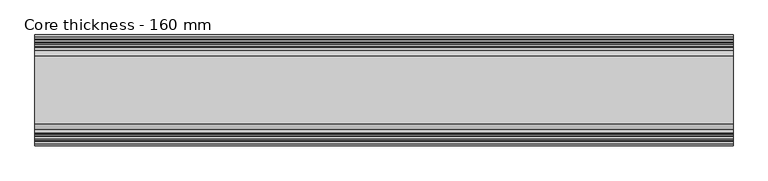
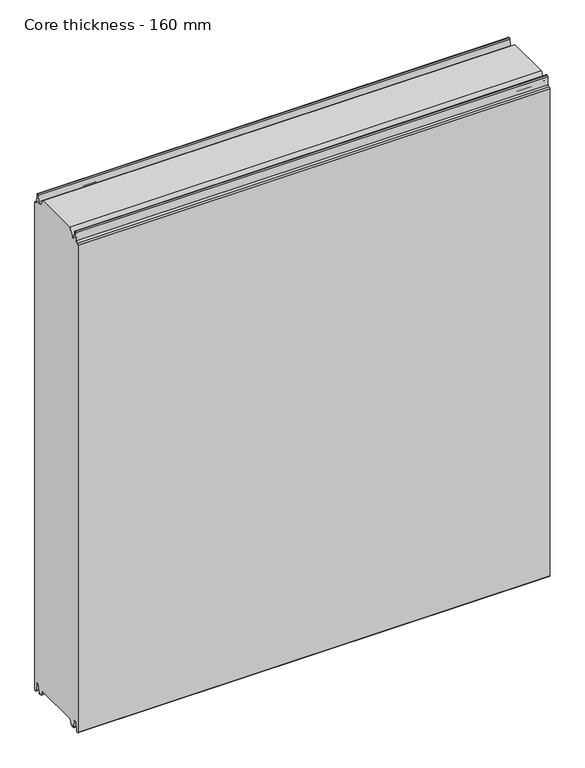
"""IFC4 building model written with IfcOpenShell, lengths in millimetres: plate geometry, Core thickness - 160 mm."""

from ifc_helpers import new_model, si_unit, frame, origin, place, context, project, spatial, polyline, circle_curve, source, transform, mapped, element, save
from ifc_brep_helpers import plane_surface, cylinder_surface, revolved_surface, advanced_brep


def core_thickness_160_mm_a647def2(model_context):
    return source(origin(), model_context, "Body", "AdvancedBrep", [
        advanced_brep(
        [(500.0000002, -129.873448, 15.0417681), (500.0000002, -30.126552, 15.0417681), (500.0000002, -23.4086055, 3.0684055), (500.0000002, -17.4169005, 3.0684055), (500.0000002, -19.6169005, 5.265779), (500.0000002, -18.8169005, 5.265779), (500.0000002, -16.0235822, 5.1291629), (500.0000002, -14.6379549, 19.2608832), (500.0000002, -10.8223285, 22.6899182), (500.0000002, -7.0067021, 19.2608832), (500.0000002, -5.3893281, 2.7656275), (500.0000002, -0.8003051, 2.9900682), (500.0000002, -0.8, 1093.8000005), (500.0000002, -3.3660185, 1096.1942726), (500.0000002, -6.8790665, 1099.1779769), (500.0000002, -8.5415667, 1116.1334653), (500.0000002, -10.8223285, 1118.1999998), (500.0000002, -13.1030903, 1116.1334653), (500.0000002, -14.4357929, 1102.5415123), (500.0000002, -17.0233841, 1100.1952279), (500.0000002, -18.1003051, 1100.1952279), (500.0000002, -18.7003051, 1099.5952279), (500.0000002, -18.7003051, 1098.4952279), (500.0000002, -19.5003051, 1098.4952279), (500.0000002, -19.5003051, 1099.5952279), (500.0000002, -18.1003051, 1100.9952279), (500.0000002, -19.5003051, 1100.9952279), (500.0000002, -23.1062917, 1100.9952279), (500.0000002, -31.1628062, 1115.044651), (500.0000002, -128.7531937, 1115.044651), (500.0000002, -136.8937083, 1100.9952279), (500.0000002, -140.4996949, 1100.9952279), (500.0000002, -141.8996949, 1100.9952279), (500.0000002, -140.4996949, 1099.5952279), (500.0000002, -140.4996949, 1098.4952279), (500.0000002, -141.2996949, 1098.4952279), (500.0000002, -141.2996949, 1099.5952279), (500.0000002, -141.8996949, 1100.1952279), (500.0000002, -142.9766159, 1100.1952279), (500.0000002, -145.5642071, 1102.5415123), (500.0000002, -146.8969097, 1116.1334653), (500.0000002, -149.1776715, 1118.1999998), (500.0000002, -151.4584333, 1116.1334653), (500.0000002, -153.1209335, 1099.1779769), (500.0000002, -156.6330399, 1096.2078763), (500.0000002, -159.1996949, 1093.8000005), (500.0000002, -159.2, 2.9900682), (500.0000002, -154.6106719, 2.7656275), (500.0000002, -152.9932979, 19.2608832), (500.0000002, -149.1776715, 22.6899182), (500.0000002, -145.3620451, 19.2608832), (500.0000002, -143.9764178, 5.1291629), (500.0000002, -141.1830995, 5.265779), (500.0000002, -140.3830995, 5.265779), (500.0000002, -142.5830995, 3.065779), (500.0000002, -136.5913945, 3.0684055), (-500.0000002, -136.8937083, 1100.9952279), (-500.0000002, -128.7531937, 1115.044651), (-500.0000002, -31.1628062, 1115.044651), (-500.0000002, -23.1062917, 1100.9952279), (-500.0000002, -19.5003051, 1100.9952279), (-500.0000002, -18.1003051, 1100.9952279), (-500.0000002, -19.5003051, 1099.5952279), (-500.0000002, -19.5003051, 1098.4952279), (-500.0000002, -18.7003051, 1098.4952279), (-500.0000002, -18.7003051, 1099.5952279), (-500.0000002, -18.1003051, 1100.1952279), (-500.0000002, -17.0233841, 1100.1952279), (-500.0000002, -14.4357929, 1102.5415123), (-500.0000002, -13.1030903, 1116.1334653), (-500.0000002, -10.8223285, 1118.1999998), (-500.0000002, -8.5415667, 1116.1334653), (-500.0000002, -6.8790665, 1099.1779769), (-500.0000002, -3.3669601, 1096.2078763), (-500.0000002, -0.8003051, 1093.8000005), (-500.0000002, -0.8, 2.9900682), (-500.0000002, -5.3893281, 2.7656275), (-500.0000002, -7.0067021, 19.2608832), (-500.0000002, -10.8223285, 22.6899182), (-500.0000002, -14.6379549, 19.2608832), (-500.0000002, -16.0235822, 5.1291629), (-500.0000002, -18.8169005, 5.265779), (-500.0000002, -19.6169005, 5.265779), (-500.0000002, -17.4169005, 3.065779), (-500.0000002, -23.4086055, 3.0684055), (-500.0000002, -30.126552, 15.0417681), (-500.0000002, -129.873448, 15.0417681), (-500.0000002, -136.5913945, 3.0684055), (-500.0000002, -142.5830995, 3.0684055), (-500.0000002, -140.3830995, 5.265779), (-500.0000002, -141.1830995, 5.265779), (-500.0000002, -143.9764178, 5.1291629), (-500.0000002, -145.3620451, 19.2608832), (-500.0000002, -149.1776715, 22.6899182), (-500.0000002, -152.9932979, 19.2608832), (-500.0000002, -154.6106719, 2.7656275), (-500.0000002, -159.1996949, 2.9900682), (-500.0000002, -159.2, 1093.8000005), (-500.0000002, -156.6339815, 1096.1942726), (-500.0000002, -153.1209335, 1099.1779769), (-500.0000002, -151.4584333, 1116.1334653), (-500.0000002, -149.1776715, 1118.1999998), (-500.0000002, -146.8969097, 1116.1334653), (-500.0000002, -145.5642071, 1102.5415123), (-500.0000002, -142.9766159, 1100.1952279), (-500.0000002, -141.8996949, 1100.1952279), (-500.0000002, -141.2996949, 1099.5952279), (-500.0000002, -141.2996949, 1098.4952279), (-500.0000002, -140.4996949, 1098.4952279), (-500.0000002, -140.4996949, 1099.5952279), (-500.0000002, -141.8996949, 1100.9952279), (-500.0000002, -140.4996949, 1100.9952279)],
        [
            (0, 1),
            (1, 2),
            (2, 3),
            (3, 4, circle_curve(frame((500.0000002, -17.4169005, 5.265779), z_axis=(-1.0, 0.0, 0.0), x_axis=(0.0, 0.0, -1.0)), 2.2)),
            (4, 5),
            (5, 6, circle_curve(frame((500.0000002, -17.4169005, 5.265779), z_axis=(1.0, 0.0, 0.0), x_axis=(0.0, 0.0, -1.0)), 1.4)),
            (6, 7),
            (7, 8, circle_curve(frame((500.0000002, -10.8560907, 18.8900682), z_axis=(-1.0, 0.0, 0.0), x_axis=(0.0, 0.0, -1.0)), 3.8)),
            (8, 9, circle_curve(frame((500.0000002, -10.7885662, 18.8900682), z_axis=(-1.0, 0.0, 0.0), x_axis=(0.0, 0.0, -1.0)), 3.8)),
            (9, 10),
            (10, 11, circle_curve(frame((500.0000002, -3.1003051, 2.9900682), z_axis=(1.0, 0.0, 0.0), x_axis=(0.0, 0.0, -1.0)), 2.3)),
            (11, 12),
            (12, 13, circle_curve(frame((500.0000002, -3.2003051, 1093.8000005), z_axis=(1.0, 0.0, 0.0), x_axis=(0.0, 0.0, -1.0)), 2.4)),
            (13, 14, circle_curve(frame((500.0000002, -3.5948161, 1099.5000005), z_axis=(-1.0, 0.0, 0.0), x_axis=(0.0, 0.0, -1.0)), 3.3)),
            (14, 15),
            (15, 16, circle_curve(frame((500.0000002, -10.8206374, 1115.9100005), z_axis=(1.0, 0.0, 0.0), x_axis=(0.0, 0.0, -1.0)), 2.29)),
            (16, 17, circle_curve(frame((500.0000002, -10.8240195, 1115.9100005), z_axis=(1.0, 0.0, 0.0), x_axis=(0.0, 0.0, -1.0)), 2.29)),
            (17, 18),
            (18, 19, circle_curve(frame((500.0000002, -17.0233841, 1102.7952279), z_axis=(-1.0, 0.0, 0.0), x_axis=(0.0, 0.0, -1.0)), 2.6)),
            (19, 20),
            (20, 21, circle_curve(frame((500.0000002, -18.1003051, 1099.5952279), z_axis=(1.0, 0.0, 0.0), x_axis=(0.0, 0.0, -1.0)), 0.6)),
            (21, 22),
            (22, 23),
            (23, 24),
            (24, 25, circle_curve(frame((500.0000002, -18.1003051, 1099.5952279), z_axis=(-1.0, 0.0, 0.0), x_axis=(0.0, 0.0, -1.0)), 1.4)),
            (25, 26),
            (26, 27),
            (27, 28),
            (28, 29),
            (29, 30),
            (30, 31),
            (31, 32),
            (32, 33, circle_curve(frame((500.0000002, -141.8996949, 1099.5952279), z_axis=(-1.0, 0.0, 0.0), x_axis=(0.0, 0.0, -1.0)), 1.4)),
            (33, 34),
            (34, 35),
            (35, 36),
            (36, 37, circle_curve(frame((500.0000002, -141.8996949, 1099.5952279), z_axis=(1.0, 0.0, 0.0), x_axis=(0.0, 0.0, -1.0)), 0.6)),
            (37, 38),
            (38, 39, circle_curve(frame((500.0000002, -142.9766159, 1102.7952279), z_axis=(-1.0, 0.0, 0.0), x_axis=(0.0, 0.0, -1.0)), 2.6)),
            (39, 40),
            (40, 41, circle_curve(frame((500.0000002, -149.1759805, 1115.9100005), z_axis=(1.0, 0.0, 0.0), x_axis=(0.0, 0.0, -1.0)), 2.29)),
            (41, 42, circle_curve(frame((500.0000002, -149.1793626, 1115.9100005), z_axis=(1.0, 0.0, 0.0), x_axis=(0.0, 0.0, -1.0)), 2.29)),
            (42, 43),
            (43, 44, circle_curve(frame((500.0000002, -156.4051839, 1099.5000005), z_axis=(-1.0, 0.0, 0.0), x_axis=(0.0, 0.0, -1.0)), 3.3)),
            (44, 45, circle_curve(frame((500.0000002, -156.7996949, 1093.8000005), z_axis=(1.0, 0.0, 0.0), x_axis=(0.0, 0.0, -1.0)), 2.4)),
            (45, 46),
            (46, 47, circle_curve(frame((500.0000002, -156.8996949, 2.9900682), z_axis=(1.0, 0.0, 0.0), x_axis=(0.0, 0.0, -1.0)), 2.3)),
            (47, 48),
            (48, 49, circle_curve(frame((500.0000002, -149.2114338, 18.8900682), z_axis=(-1.0, 0.0, 0.0), x_axis=(0.0, 0.0, -1.0)), 3.8)),
            (49, 50, circle_curve(frame((500.0000002, -149.1439093, 18.8900682), z_axis=(-1.0, 0.0, 0.0), x_axis=(0.0, 0.0, -1.0)), 3.8)),
            (50, 51),
            (51, 52, circle_curve(frame((500.0000002, -142.5830995, 5.265779), z_axis=(1.0, 0.0, 0.0), x_axis=(0.0, 0.0, -1.0)), 1.4)),
            (52, 53),
            (53, 54, circle_curve(frame((500.0000002, -142.5830995, 5.265779), z_axis=(-1.0, 0.0, 0.0), x_axis=(0.0, 0.0, -1.0)), 2.2)),
            (54, 55),
            (55, 0),
            (56, 57),
            (57, 58),
            (58, 59),
            (59, 60),
            (60, 61),
            (61, 62, circle_curve(frame((-500.0000002, -18.1003051, 1099.5952279), z_axis=(1.0, 0.0, 0.0), x_axis=(0.0, 0.0, -1.0)), 1.4)),
            (62, 63),
            (63, 64),
            (64, 65),
            (65, 66, circle_curve(frame((-500.0000002, -18.1003051, 1099.5952279), z_axis=(-1.0, 0.0, 0.0), x_axis=(0.0, 0.0, -1.0)), 0.6)),
            (66, 67),
            (67, 68, circle_curve(frame((-500.0000002, -17.0233841, 1102.7952279), z_axis=(1.0, 0.0, 0.0), x_axis=(0.0, 0.0, -1.0)), 2.6)),
            (68, 69),
            (69, 70, circle_curve(frame((-500.0000002, -10.8240195, 1115.9100005), z_axis=(-1.0, 0.0, 0.0), x_axis=(0.0, 0.0, -1.0)), 2.29)),
            (70, 71, circle_curve(frame((-500.0000002, -10.8206374, 1115.9100005), z_axis=(-1.0, 0.0, 0.0), x_axis=(0.0, 0.0, -1.0)), 2.29)),
            (71, 72),
            (72, 73, circle_curve(frame((-500.0000002, -3.5948161, 1099.5000005), z_axis=(1.0, 0.0, 0.0), x_axis=(0.0, 0.0, -1.0)), 3.3)),
            (73, 74, circle_curve(frame((-500.0000002, -3.2003051, 1093.8000005), z_axis=(-1.0, 0.0, 0.0), x_axis=(0.0, 0.0, -1.0)), 2.4)),
            (74, 75),
            (75, 76, circle_curve(frame((-500.0000002, -3.1003051, 2.9900682), z_axis=(-1.0, 0.0, 0.0), x_axis=(0.0, 0.0, -1.0)), 2.3)),
            (76, 77),
            (77, 78, circle_curve(frame((-500.0000002, -10.7885662, 18.8900682), z_axis=(1.0, 0.0, 0.0), x_axis=(0.0, 0.0, -1.0)), 3.8)),
            (78, 79, circle_curve(frame((-500.0000002, -10.8560907, 18.8900682), z_axis=(1.0, 0.0, 0.0), x_axis=(0.0, 0.0, -1.0)), 3.8)),
            (79, 80),
            (80, 81, circle_curve(frame((-500.0000002, -17.4169005, 5.265779), z_axis=(-1.0, 0.0, 0.0), x_axis=(0.0, 0.0, -1.0)), 1.4)),
            (81, 82),
            (82, 83, circle_curve(frame((-500.0000002, -17.4169005, 5.265779), z_axis=(1.0, 0.0, 0.0), x_axis=(0.0, 0.0, -1.0)), 2.2)),
            (83, 84),
            (84, 85),
            (85, 86),
            (86, 87),
            (87, 88),
            (88, 89, circle_curve(frame((-500.0000002, -142.5830995, 5.265779), z_axis=(1.0, 0.0, 0.0), x_axis=(0.0, 0.0, -1.0)), 2.2)),
            (89, 90),
            (90, 91, circle_curve(frame((-500.0000002, -142.5830995, 5.265779), z_axis=(-1.0, 0.0, 0.0), x_axis=(0.0, 0.0, -1.0)), 1.4)),
            (91, 92),
            (92, 93, circle_curve(frame((-500.0000002, -149.1439093, 18.8900682), z_axis=(1.0, 0.0, 0.0), x_axis=(0.0, 0.0, -1.0)), 3.8)),
            (93, 94, circle_curve(frame((-500.0000002, -149.2114338, 18.8900682), z_axis=(1.0, 0.0, 0.0), x_axis=(0.0, 0.0, -1.0)), 3.8)),
            (94, 95),
            (95, 96, circle_curve(frame((-500.0000002, -156.8996949, 2.9900682), z_axis=(-1.0, 0.0, 0.0), x_axis=(0.0, 0.0, -1.0)), 2.3)),
            (96, 97),
            (97, 98, circle_curve(frame((-500.0000002, -156.7996949, 1093.8000005), z_axis=(-1.0, 0.0, 0.0), x_axis=(0.0, 0.0, -1.0)), 2.4)),
            (98, 99, circle_curve(frame((-500.0000002, -156.4051839, 1099.5000005), z_axis=(1.0, 0.0, 0.0), x_axis=(0.0, 0.0, -1.0)), 3.3)),
            (99, 100),
            (100, 101, circle_curve(frame((-500.0000002, -149.1793626, 1115.9100005), z_axis=(-1.0, 0.0, 0.0), x_axis=(0.0, 0.0, -1.0)), 2.29)),
            (101, 102, circle_curve(frame((-500.0000002, -149.1759805, 1115.9100005), z_axis=(-1.0, 0.0, 0.0), x_axis=(0.0, 0.0, -1.0)), 2.29)),
            (102, 103),
            (103, 104, circle_curve(frame((-500.0000002, -142.9766159, 1102.7952279), z_axis=(1.0, 0.0, 0.0), x_axis=(0.0, 0.0, -1.0)), 2.6)),
            (104, 105),
            (105, 106, circle_curve(frame((-500.0000002, -141.8996949, 1099.5952279), z_axis=(-1.0, 0.0, 0.0), x_axis=(0.0, 0.0, -1.0)), 0.6)),
            (106, 107),
            (107, 108),
            (108, 109),
            (109, 110, circle_curve(frame((-500.0000002, -141.8996949, 1099.5952279), z_axis=(1.0, 0.0, 0.0), x_axis=(0.0, 0.0, -1.0)), 1.4)),
            (110, 111),
            (111, 56),
            (30, 56),
            (110, 32),
            (29, 57),
            (28, 58),
            (27, 59),
            (25, 61),
            (1, 85),
            (84, 2),
            (0, 86),
            (55, 87),
            (83, 3),
            (54, 88),
            (109, 33),
            (108, 34),
            (107, 35),
            (106, 36),
            (105, 37),
            (104, 38),
            (103, 39),
            (102, 40),
            (101, 41),
            (100, 42),
            (99, 43),
            (98, 44),
            (97, 45),
            (96, 46),
            (95, 47),
            (94, 48),
            (93, 49),
            (92, 50),
            (91, 51),
            (90, 52),
            (89, 53),
            (74, 12),
            (11, 75),
            (73, 13),
            (72, 14),
            (71, 15),
            (70, 16),
            (69, 17),
            (68, 18),
            (67, 19),
            (66, 20),
            (65, 21),
            (64, 22),
            (63, 23),
            (62, 24),
            (82, 4),
            (81, 5),
            (80, 6),
            (79, 7),
            (78, 8),
            (77, 9),
            (76, 10),
        ],
        [
            plane_surface(frame((500.0000002, 0.0, 0.0), z_axis=(1.0, 0.0, 0.0), x_axis=(0.0, -1.0, 0.0))),
            plane_surface(frame((-500.0000002, 0.0, 0.0), z_axis=(-1.0, 0.0, 0.0), x_axis=(0.0, -1.0, 0.0))),
            plane_surface(frame((500.0000002, -136.8937083, 1100.9952279), z_axis=(0.0, 0.0, 1.0), x_axis=(-1.0, 0.0, 0.0))),
            plane_surface(frame((500.0000002, -128.7531937, 1115.044651), z_axis=(0.0, -0.8652489672717164, 0.5013424225369607), x_axis=(-1.0, 0.0, 0.0))),
            plane_surface(frame((500.0000002, -31.1628062, 1115.044651), z_axis=(0.0, 0.0, 1.0), x_axis=(-1.0, 0.0, 0.0))),
            plane_surface(frame((500.0000002, -23.1062917, 1100.9952279), z_axis=(0.0, 0.8674901459133322, 0.4974543664933155), x_axis=(-1.0, 0.0, 0.0))),
            plane_surface(frame((500.0000002, -17.0229218, 1100.9952279), z_axis=(0.0, 0.0, 1.0), x_axis=(-1.0, 0.0, 0.0))),
            plane_surface(frame((500.0000002, -30.126552, 15.0417681), z_axis=(0.0, -0.8721062992196836, -0.4893164649399687), x_axis=(-1.0, 0.0, 0.0))),
            plane_surface(frame((500.0000002, -129.873448, 15.0417681), z_axis=(0.0, 0.0, -1.0), x_axis=(-1.0, 0.0, 0.0))),
            plane_surface(frame((500.0000002, -136.8190247, 2.6627014), z_axis=(0.0, 0.8721062992196852, -0.48931646493996606), x_axis=(-1.0, 0.0, 0.0))),
            plane_surface(frame((-500.0000002, -142.5830995, 3.0684055), z_axis=(0.0, 0.0, -1.0), x_axis=(1.0, 0.0, 0.0))),
            revolved_surface(polyline([(500.0000002, -141.8996949, 1098.1952279), (-500.00000020000004, -141.8996949, 1098.1952279)]), (630.0000002, -141.8996949, 1099.5952279), (1.0, 0.0, 0.0)),
            plane_surface(frame((630.0000002, -140.4996949, 1098.4952279), z_axis=(0.0, -1.0, 0.0), x_axis=(-1.0, 0.0, 0.0))),
            plane_surface(frame((630.0000002, -141.2996949, 1098.4952279), z_axis=(0.0, 0.0, 1.0), x_axis=(-1.0, 0.0, 0.0))),
            plane_surface(frame((630.0000002, -141.2996949, 1099.5952279), z_axis=(0.0, 1.0, 0.0), x_axis=(-1.0, 0.0, 0.0))),
            cylinder_surface(frame((630.0000002, -141.8996949, 1099.5952279), z_axis=(-1.0, 0.0, 0.0), x_axis=(0.0, 0.0, -1.0)), 0.6),
            plane_surface(frame((630.0000002, -142.9766159, 1100.1952279), z_axis=(0.0, 0.0, 1.0), x_axis=(-1.0, 0.0, 0.0))),
            revolved_surface(polyline([(500.0000002, -142.9766159, 1100.1952279000002), (-500.00000020000004, -142.9766159, 1100.1952279000002)]), (630.0000002, -142.9766159, 1102.7952279), (1.0, 0.0, 0.0)),
            plane_surface(frame((630.0000002, -146.8969097, 1116.1334653), z_axis=(0.0, 0.9952273999818314, 0.09758289975914705), x_axis=(-1.0, 0.0, 0.0))),
            cylinder_surface(frame((630.0000002, -149.1759805, 1115.9100005), z_axis=(-1.0, 0.0, 0.0), x_axis=(0.0, 0.0, -1.0)), 2.29),
            cylinder_surface(frame((630.0000002, -149.1793626, 1115.9100005), z_axis=(-1.0, 0.0, 0.0), x_axis=(0.0, 0.0, -1.0)), 2.29),
            plane_surface(frame((630.0000002, -153.1209335, 1099.1779769), z_axis=(0.0, -0.9952273999818317, 0.09758289975914436), x_axis=(-1.0, 0.0, 0.0))),
            revolved_surface(polyline([(500.0000002, -156.4051839, 1096.2000005), (-500.00000020000004, -156.4051839, 1096.2000005)]), (630.0000002, -156.4051839, 1099.5000005), (1.0, 0.0, 0.0)),
            cylinder_surface(frame((630.0000002, -156.7996949, 1093.8000005), z_axis=(-1.0, 0.0, 0.0), x_axis=(0.0, 0.0, -1.0)), 2.4),
            plane_surface(frame((630.0000002, -159.2, 2.9900682), z_axis=(0.0, -1.0, 0.0), x_axis=(-1.0, 0.0, 0.0))),
            cylinder_surface(frame((630.0000002, -156.8996949, 2.9900682), z_axis=(-1.0, 0.0, 0.0), x_axis=(0.0, 0.0, -1.0)), 2.3),
            plane_surface(frame((630.0000002, -152.9932979, 19.2608832), z_axis=(0.0, 0.9952273999818314, -0.09758289975914787), x_axis=(-1.0, 0.0, 0.0))),
            revolved_surface(polyline([(500.0000002, -149.2114338, 15.090068200000001), (-500.00000020000004, -149.2114338, 15.090068200000001)]), (630.0000002, -149.2114338, 18.8900682), (1.0, 0.0, 0.0)),
            revolved_surface(polyline([(500.0000002, -149.1439093, 15.090068200000001), (-500.00000020000004, -149.1439093, 15.090068200000001)]), (630.0000002, -149.1439093, 18.8900682), (1.0, 0.0, 0.0)),
            plane_surface(frame((630.0000002, -143.9764178, 5.1291629), z_axis=(0.0, -0.9952273999818297, -0.09758289975916531), x_axis=(-1.0, 0.0, 0.0))),
            cylinder_surface(frame((630.0000002, -142.5830995, 5.265779), z_axis=(-1.0, 0.0, 0.0), x_axis=(0.0, 0.0, -1.0)), 1.4),
            plane_surface(frame((630.0000002, -140.3830995, 5.265779), z_axis=(0.0, 0.0, -1.0), x_axis=(-1.0, 0.0, 0.0))),
            revolved_surface(polyline([(500.0000002, -142.5830995, 3.065779), (-500.00000020000004, -142.5830995, 3.065779)]), (630.0000002, -142.5830995, 5.265779), (1.0, 0.0, 0.0)),
            plane_surface(frame((630.0000002, -0.8, 1093.8000005), z_axis=(0.0, 1.0, 0.0), x_axis=(-1.0, 0.0, 0.0))),
            cylinder_surface(frame((630.0000002, -3.2003051, 1093.8000005), z_axis=(-1.0, 0.0, 0.0), x_axis=(0.0, 0.0, -1.0)), 2.4),
            revolved_surface(polyline([(500.0000002, -3.5948161, 1096.2000005), (-500.00000020000004, -3.5948161, 1096.2000005)]), (630.0000002, -3.5948161, 1099.5000005), (1.0, 0.0, 0.0)),
            plane_surface(frame((630.0000002, -8.5415667, 1116.1334653), z_axis=(0.0, 0.9952273999818317, 0.09758289975914436), x_axis=(-1.0, 0.0, 0.0))),
            cylinder_surface(frame((630.0000002, -10.8206374, 1115.9100005), z_axis=(-1.0, 0.0, 0.0), x_axis=(0.0, 0.0, -1.0)), 2.29),
            cylinder_surface(frame((630.0000002, -10.8240195, 1115.9100005), z_axis=(-1.0, 0.0, 0.0), x_axis=(0.0, 0.0, -1.0)), 2.29),
            plane_surface(frame((630.0000002, -14.4357929, 1102.5415123), z_axis=(0.0, -0.9952273999818314, 0.09758289975914705), x_axis=(-1.0, 0.0, 0.0))),
            revolved_surface(polyline([(500.0000002, -17.0233841, 1100.1952279000002), (-500.00000020000004, -17.0233841, 1100.1952279000002)]), (630.0000002, -17.0233841, 1102.7952279), (1.0, 0.0, 0.0)),
            plane_surface(frame((630.0000002, -18.1003051, 1100.1952279), z_axis=(0.0, 0.0, 1.0), x_axis=(-1.0, 0.0, 0.0))),
            cylinder_surface(frame((630.0000002, -18.1003051, 1099.5952279), z_axis=(-1.0, 0.0, 0.0), x_axis=(0.0, 0.0, -1.0)), 0.6),
            plane_surface(frame((630.0000002, -18.7003051, 1098.4952279), z_axis=(0.0, -1.0, 0.0), x_axis=(-1.0, 0.0, 0.0))),
            plane_surface(frame((630.0000002, -19.5003051, 1098.4952279), z_axis=(0.0, 0.0, 1.0), x_axis=(-1.0, 0.0, 0.0))),
            plane_surface(frame((630.0000002, -19.5003051, 1099.5952279), z_axis=(0.0, 1.0, 0.0), x_axis=(-1.0, 0.0, 0.0))),
            revolved_surface(polyline([(500.0000002, -18.1003051, 1098.1952279), (-500.00000020000004, -18.1003051, 1098.1952279)]), (630.0000002, -18.1003051, 1099.5952279), (1.0, 0.0, 0.0)),
            revolved_surface(polyline([(500.0000002, -17.4169005, 3.065779), (-500.00000020000004, -17.4169005, 3.065779)]), (630.0000002, -17.4169005, 5.265779), (1.0, 0.0, 0.0)),
            plane_surface(frame((630.0000002, -18.8169005, 5.265779), z_axis=(0.0, 0.0, -1.0), x_axis=(-1.0, 0.0, 0.0))),
            cylinder_surface(frame((630.0000002, -17.4169005, 5.265779), z_axis=(-1.0, 0.0, 0.0), x_axis=(0.0, 0.0, -1.0)), 1.4),
            plane_surface(frame((630.0000002, -14.6379549, 19.2608832), z_axis=(0.0, 0.9952273999818297, -0.09758289975916531), x_axis=(-1.0, 0.0, 0.0))),
            revolved_surface(polyline([(500.0000002, -10.8560907, 15.090068200000001), (-500.00000020000004, -10.8560907, 15.090068200000001)]), (630.0000002, -10.8560907, 18.8900682), (1.0, 0.0, 0.0)),
            revolved_surface(polyline([(500.0000002, -10.7885662, 15.090068200000001), (-500.00000020000004, -10.7885662, 15.090068200000001)]), (630.0000002, -10.7885662, 18.8900682), (1.0, 0.0, 0.0)),
            plane_surface(frame((630.0000002, -5.3893281, 2.7656275), z_axis=(0.0, -0.9952273999818314, -0.09758289975914787), x_axis=(-1.0, 0.0, 0.0))),
            cylinder_surface(frame((630.0000002, -3.1003051, 2.9900682), z_axis=(-1.0, 0.0, 0.0), x_axis=(0.0, 0.0, -1.0)), 2.3),
        ],
        [
            (0, [[1, 2, 3, 4, 5, 6, 7, 8, 9, 10, 11, 12, 13, 14, 15, 16, 17, 18, 19, 20, 21, 22, 23, 24, 25, 26, 27, 28, 29, 30, 31, 32, 33, 34, 35, 36, 37, 38, 39, 40, 41, 42, 43, 44, 45, 46, 47, 48, 49, 50, 51, 52, 53, 54, 55, 56]]),
            (1, [[57, 58, 59, 60, 61, 62, 63, 64, 65, 66, 67, 68, 69, 70, 71, 72, 73, 74, 75, 76, 77, 78, 79, 80, 81, 82, 83, 84, 85, 86, 87, 88, 89, 90, 91, 92, 93, 94, 95, 96, 97, 98, 99, 100, 101, 102, 103, 104, 105, 106, 107, 108, 109, 110, 111, 112]]),
            (2, [[113, -112, -111, 114, -32, -31]]),
            (3, [[-30, 115, -57, -113]]),
            (4, [[-29, 116, -58, -115]]),
            (5, [[-28, 117, -59, -116]]),
            (6, [[-117, -27, -26, 118, -61, -60]]),
            (7, [[119, -85, 120, -2]]),
            (8, [[-1, 121, -86, -119]]),
            (9, [[-121, -56, 122, -87]]),
            (10, [[-3, -120, -84, 123]]),
            (10, [[-55, 124, -88, -122]]),
            (11, [[125, -33, -114, -110]]),
            (12, [[-125, -109, 126, -34]]),
            (13, [[-126, -108, 127, -35]]),
            (14, [[-127, -107, 128, -36]]),
            (15, [[-128, -106, 129, -37]]),
            (16, [[-129, -105, 130, -38]]),
            (17, [[-130, -104, 131, -39]]),
            (18, [[-131, -103, 132, -40]]),
            (19, [[-132, -102, 133, -41]]),
            (20, [[-133, -101, 134, -42]]),
            (21, [[-134, -100, 135, -43]]),
            (22, [[-135, -99, 136, -44]]),
            (23, [[-136, -98, 137, -45]]),
            (24, [[-137, -97, 138, -46]]),
            (25, [[-138, -96, 139, -47]]),
            (26, [[-139, -95, 140, -48]]),
            (27, [[-140, -94, 141, -49]]),
            (28, [[-141, -93, 142, -50]]),
            (29, [[-142, -92, 143, -51]]),
            (30, [[-143, -91, 144, -52]]),
            (31, [[-144, -90, 145, -53]]),
            (32, [[-145, -89, -124, -54]]),
            (33, [[146, -12, 147, -75]]),
            (34, [[-146, -74, 148, -13]]),
            (35, [[-148, -73, 149, -14]]),
            (36, [[-149, -72, 150, -15]]),
            (37, [[-150, -71, 151, -16]]),
            (38, [[-151, -70, 152, -17]]),
            (39, [[-152, -69, 153, -18]]),
            (40, [[-153, -68, 154, -19]]),
            (41, [[-154, -67, 155, -20]]),
            (42, [[-155, -66, 156, -21]]),
            (43, [[-156, -65, 157, -22]]),
            (44, [[-157, -64, 158, -23]]),
            (45, [[-158, -63, 159, -24]]),
            (46, [[-159, -62, -118, -25]]),
            (47, [[160, -4, -123, -83]]),
            (48, [[-160, -82, 161, -5]]),
            (49, [[-161, -81, 162, -6]]),
            (50, [[-162, -80, 163, -7]]),
            (51, [[-163, -79, 164, -8]]),
            (52, [[-164, -78, 165, -9]]),
            (53, [[-165, -77, 166, -10]]),
            (54, [[-166, -76, -147, -11]]),
        ],
    ),
    ])


if __name__ == "__main__":
    model = new_model("IFC4")
    model_context = context("Model", 3, world=origin())
    ifc_project = project(units=[si_unit("LENGTHUNIT", "METRE", prefix="MILLI")], contexts=[model_context])
    site = spatial("IfcSite", under=ifc_project)
    building = spatial("IfcBuilding", under=site)
    placement = place(None, origin())
    core_thickness_160_mm_shape = core_thickness_160_mm_a647def2(model_context)
    element("IfcPlate", 1, ObjectType="Core thickness - 160 mm", at=placement, inside=building, context=model_context, shape_type="MappedRepresentation", body=[
        mapped(core_thickness_160_mm_shape, transform((0.0, 0.0, 0.0), x_axis=(1.0, 0.0, 0.0), y_axis=(0.0, 1.0, 0.0), z_axis=(0.0, 0.0, 1.0))),
    ])
    save(model, "model.ifc")
